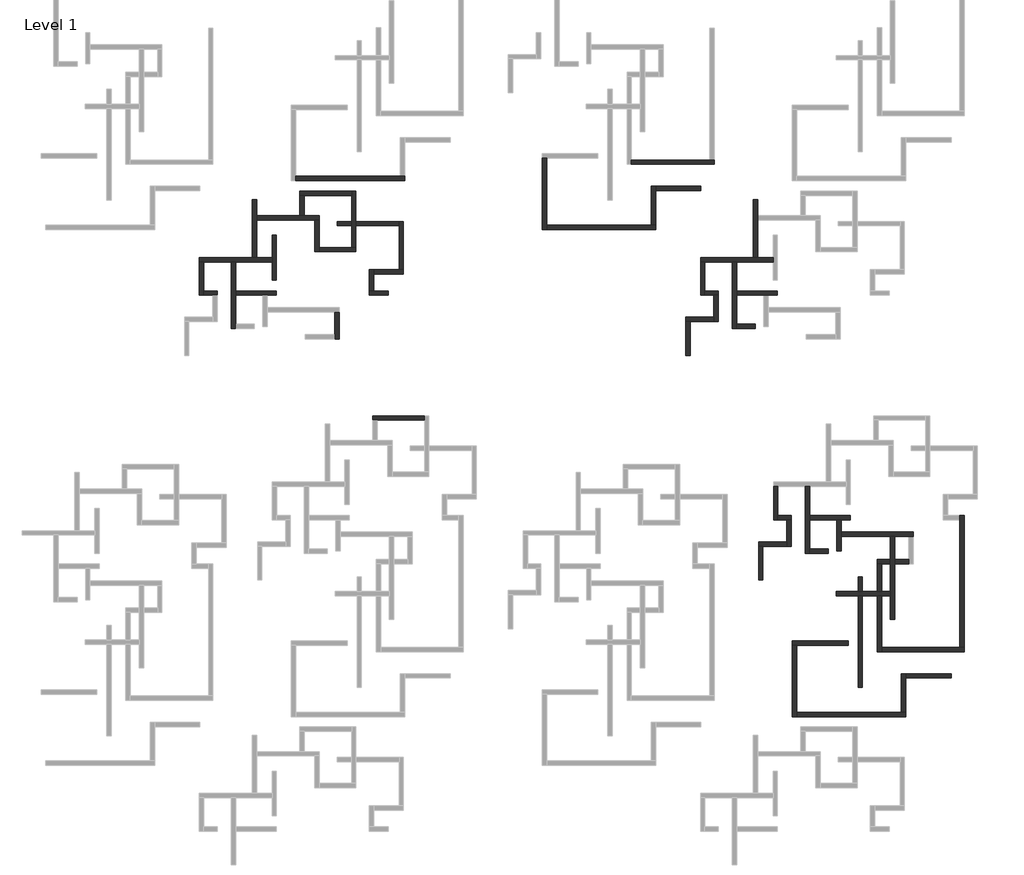
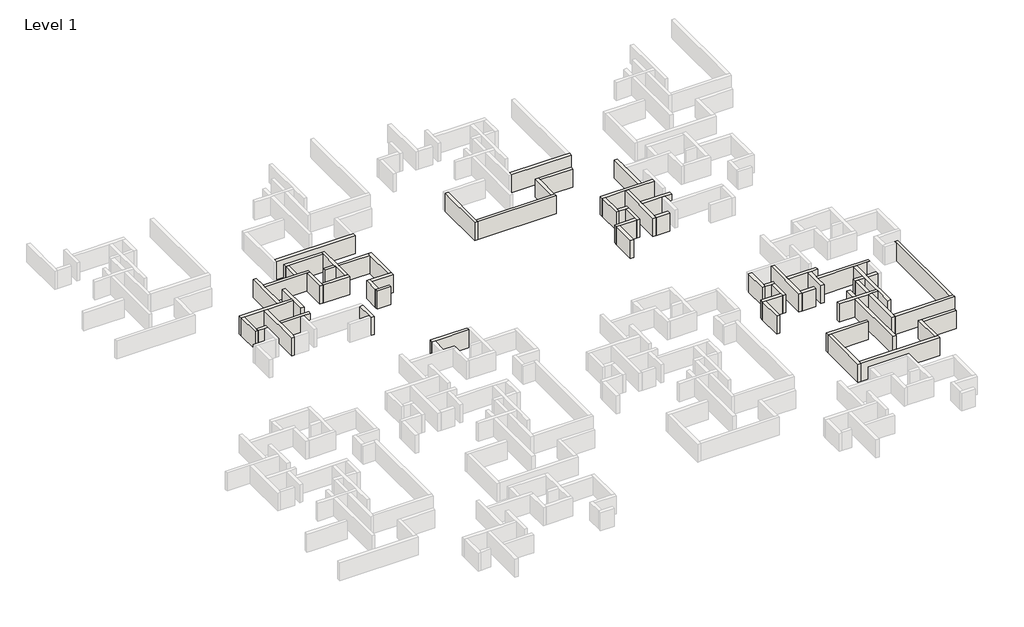
# One storey, part 4 of 7: 58 walls.
"""IFC4 building model written with IfcOpenShell, lengths in millimetres."""

from ifc_helpers import new_model, si_unit, origin, origin_with_axes, place, context, project, spatial, polyline, outline, extrude, faceted_brep, element, save

model = new_model("IFC4")

# Units and contexts
model_context = context("Model", 3, world=origin())
ifc_project = project(units=[si_unit("LENGTHUNIT", "METRE", prefix="MILLI")], contexts=[model_context])

# Site, building, storey
site = spatial("IfcSite", under=ifc_project)
building = spatial("IfcBuilding", under=site)
storey = spatial("IfcBuildingStorey", under=building, Name="Level 1", Elevation=0.0)

# Walls
placement = place(None, origin())
element("IfcWall", 1, ObjectType="Generic - 200mm", at=placement, inside=storey, context=model_context, shape_type="Brep", body=[
    faceted_brep([(11482.3849796, -2529.0856497, 0.0), (23882.3849796, -2529.0856497, 0.0), (23882.3849796, -2529.0856497, 3000.0), (11482.3849796, -2529.0856497, 3000.0), (11482.3849796, -2029.0856497, 0.0), (11482.3849796, -2029.0856497, 3000.0), (23382.3849796, -2029.0856497, 3000.0), (23882.3849796, -2029.0856497, 3000.0), (23882.3849796, -2029.0856497, 0.0), (23382.3849796, -2029.0856497, 0.0)], [[[0, 1, 2, 3]], [[4, 5, 6, 7, 8, 9]], [[1, 0, 4, 9, 8]], [[3, 2, 7, 6, 5]], [[0, 3, 5, 4]], [[2, 1, 8, 7]]]),
])
element("IfcWall", 2, ObjectType="Generic - 200mm", at=placement, inside=storey, context=model_context, shape_type="Brep", body=[
    faceted_brep([(532.3849796, -11761.6327635, 0.0), (1032.3849796, -11761.6327635, 0.0), (4132.3849796, -11761.6327635, 0.0), (4632.3849796, -11761.6327635, 0.0), (8782.3849796, -11761.6327635, 0.0), (8782.3849796, -11761.6327635, 3000.0), (4632.3849796, -11761.6327635, 3000.0), (4132.3849796, -11761.6327635, 3000.0), (1032.3849796, -11761.6327635, 3000.0), (532.3849796, -11761.6327635, 3000.0), (532.3849796, -11261.6327635, 0.0), (532.3849796, -11261.6327635, 3000.0), (6532.3849796, -11261.6327635, 3000.0), (7032.3849796, -11261.6327635, 3000.0), (8782.3849796, -11261.6327635, 3000.0), (8782.3849796, -11261.6327635, 0.0), (7032.3849796, -11261.6327635, 0.0), (6532.3849796, -11261.6327635, 0.0)], [[[0, 1, 2, 3, 4, 5, 6, 7, 8, 9]], [[10, 11, 12, 13, 14, 15, 16, 17]], [[4, 3, 2, 1, 0, 10, 17, 16, 15]], [[9, 8, 7, 6, 5, 14, 13, 12, 11]], [[0, 9, 11, 10]], [[5, 4, 15, 14]]]),
])
element("IfcWall", 3, ObjectType="Generic - 200mm", at=placement, inside=storey, context=model_context, shape_type="Brep", body=[
    faceted_brep([(4132.3849796, -11761.6327635, 0.0), (4132.3849796, -19361.6327635, 0.0), (4132.3849796, -19361.6327635, 3000.0), (4132.3849796, -11761.6327635, 3000.0), (4632.3849796, -11761.6327635, 0.0), (4632.3849796, -11761.6327635, 3000.0), (4632.3849796, -15061.6327635, 3000.0), (4632.3849796, -15561.6327635, 3000.0), (4632.3849796, -18861.6327635, 3000.0), (4632.3849796, -19361.6327635, 3000.0), (4632.3849796, -19361.6327635, 0.0), (4632.3849796, -18861.6327635, 0.0), (4632.3849796, -15561.6327635, 0.0), (4632.3849796, -15061.6327635, 0.0)], [[[0, 1, 2, 3]], [[4, 5, 6, 7, 8, 9, 10, 11, 12, 13]], [[1, 0, 4, 13, 12, 11, 10]], [[3, 2, 9, 8, 7, 6, 5]], [[0, 3, 5, 4]], [[2, 1, 10, 9]]]),
])
element("IfcWall", 4, ObjectType="Generic - 200mm", at=placement, inside=storey, context=model_context, shape_type="Brep", body=[
    faceted_brep([(4632.3849796, -15561.6327635, 0.0), (7732.3849796, -15561.6327635, 0.0), (8232.3849796, -15561.6327635, 0.0), (9282.3849796, -15561.6327635, 0.0), (9282.3849796, -15561.6327635, 3000.0), (8232.3849796, -15561.6327635, 3000.0), (7732.3849796, -15561.6327635, 3000.0), (4632.3849796, -15561.6327635, 3000.0), (4632.3849796, -15061.6327635, 0.0), (4632.3849796, -15061.6327635, 3000.0), (9282.3849796, -15061.6327635, 3000.0), (9282.3849796, -15061.6327635, 0.0)], [[[0, 1, 2, 3, 4, 5, 6, 7]], [[8, 9, 10, 11]], [[3, 2, 1, 0, 8, 11]], [[4, 3, 11, 10]], [[7, 6, 5, 4, 10, 9]], [[0, 7, 9, 8]]]),
])
element("IfcWall", 5, ObjectType="Generic - 200mm", at=placement, inside=storey, context=model_context, shape_type="Brep", body=[
    faceted_brep([(532.3849796, -11761.6327635, 0.0), (532.3849796, -15561.6327635, 0.0), (532.3849796, -15561.6327635, 3000.0), (532.3849796, -11761.6327635, 3000.0), (1032.3849796, -11761.6327635, 0.0), (1032.3849796, -11761.6327635, 3000.0), (1032.3849796, -15061.6327635, 3000.0), (1032.3849796, -15561.6327635, 3000.0), (1032.3849796, -15561.6327635, 0.0), (1032.3849796, -15061.6327635, 0.0)], [[[0, 1, 2, 3]], [[4, 5, 6, 7, 8, 9]], [[1, 0, 4, 9, 8]], [[3, 2, 7, 6, 5]], [[0, 3, 5, 4]], [[2, 1, 8, 7]]]),
])
element("IfcWall", 6, ObjectType="Generic - 200mm", at=placement, inside=storey, context=model_context, shape_type="Brep", body=[
    faceted_brep([(1032.3849796, -15561.6327635, 0.0), (2032.3849796, -15561.6327635, 0.0), (2532.3849796, -15561.6327635, 0.0), (2532.3849796, -15561.6327635, 3000.0), (2032.3849796, -15561.6327635, 3000.0), (1032.3849796, -15561.6327635, 3000.0), (1032.3849796, -15061.6327635, 0.0), (1032.3849796, -15061.6327635, 3000.0), (2532.3849796, -15061.6327635, 3000.0), (2532.3849796, -15061.6327635, 0.0)], [[[0, 1, 2, 3, 4, 5]], [[6, 7, 8, 9]], [[2, 1, 0, 6, 9]], [[5, 4, 3, 8, 7]], [[0, 5, 7, 6]], [[3, 2, 9, 8]]]),
])
element("IfcWall", 7, ObjectType="Generic - 200mm", at=placement, inside=storey, context=model_context, shape_type="Brep", body=[
    faceted_brep([(7032.3849796, -11261.6327635, 0.0), (7032.3849796, -7011.6327635, 0.0), (7032.3849796, -6511.6327635, 0.0), (7032.3849796, -4661.6327635, 0.0), (7032.3849796, -4661.6327635, 3000.0), (7032.3849796, -6511.6327635, 3000.0), (7032.3849796, -7011.6327635, 3000.0), (7032.3849796, -11261.6327635, 3000.0), (6532.3849796, -11261.6327635, 0.0), (6532.3849796, -11261.6327635, 3000.0), (6532.3849796, -4661.6327635, 3000.0), (6532.3849796, -4661.6327635, 0.0)], [[[0, 1, 2, 3, 4, 5, 6, 7]], [[8, 9, 10, 11]], [[3, 2, 1, 0, 8, 11]], [[4, 3, 11, 10]], [[7, 6, 5, 4, 10, 9]], [[0, 7, 9, 8]]]),
])
element("IfcWall", 8, ObjectType="Generic - 200mm", at=placement, inside=storey, context=model_context, shape_type="Brep", body=[
    faceted_brep([(7032.3849796, -7011.6327635, 0.0), (13632.3849796, -7011.6327635, 0.0), (14132.3849796, -7011.6327635, 0.0), (14132.3849796, -7011.6327635, 3000.0), (13632.3849796, -7011.6327635, 3000.0), (7032.3849796, -7011.6327635, 3000.0), (7032.3849796, -6511.6327635, 0.0), (7032.3849796, -6511.6327635, 3000.0), (11932.3849796, -6511.6327635, 3000.0), (12432.3849796, -6511.6327635, 3000.0), (14132.3849796, -6511.6327635, 3000.0), (14132.3849796, -6511.6327635, 0.0), (12432.3849796, -6511.6327635, 0.0), (11932.3849796, -6511.6327635, 0.0)], [[[0, 1, 2, 3, 4, 5]], [[6, 7, 8, 9, 10, 11, 12, 13]], [[2, 1, 0, 6, 13, 12, 11]], [[5, 4, 3, 10, 9, 8, 7]], [[0, 5, 7, 6]], [[3, 2, 11, 10]]]),
])
element("IfcWall", 9, ObjectType="Generic - 200mm", at=placement, inside=storey, context=model_context, shape_type="Brep", body=[
    faceted_brep([(9282.3849796, -13828.3353389, 0.0), (9282.3849796, -8728.3353389, 0.0), (9282.3849796, -8728.3353389, 3000.0), (9282.3849796, -13828.3353389, 3000.0), (8782.3849796, -13828.3353389, 0.0), (8782.3849796, -13828.3353389, 3000.0), (8782.3849796, -11761.6327635, 3000.0), (8782.3849796, -11261.6327635, 3000.0), (8782.3849796, -8728.3353389, 3000.0), (8782.3849796, -8728.3353389, 0.0), (8782.3849796, -11261.6327635, 0.0), (8782.3849796, -11761.6327635, 0.0)], [[[0, 1, 2, 3]], [[4, 5, 6, 7, 8, 9, 10, 11]], [[1, 0, 4, 11, 10, 9]], [[2, 1, 9, 8]], [[3, 2, 8, 7, 6, 5]], [[0, 3, 5, 4]]]),
])
element("IfcWall", 10, ObjectType="Generic - 200mm", at=placement, inside=storey, context=model_context, shape_type="Brep", body=[
    faceted_brep([(13632.3849796, -7011.6327635, 0.0), (13632.3849796, -10611.6327635, 0.0), (13632.3849796, -10611.6327635, 3000.0), (13632.3849796, -7011.6327635, 3000.0), (14132.3849796, -7011.6327635, 0.0), (14132.3849796, -7011.6327635, 3000.0), (14132.3849796, -10111.6327635, 3000.0), (14132.3849796, -10611.6327635, 3000.0), (14132.3849796, -10611.6327635, 0.0), (14132.3849796, -10111.6327635, 0.0)], [[[0, 1, 2, 3]], [[4, 5, 6, 7, 8, 9]], [[1, 0, 4, 9, 8]], [[3, 2, 7, 6, 5]], [[0, 3, 5, 4]], [[2, 1, 8, 7]]]),
])
element("IfcWall", 11, ObjectType="Generic - 200mm", at=placement, inside=storey, context=model_context, shape_type="Brep", body=[
    faceted_brep([(14132.3849796, -10611.6327635, 0.0), (18332.3849796, -10611.6327635, 0.0), (18332.3849796, -10611.6327635, 3000.0), (14132.3849796, -10611.6327635, 3000.0), (14132.3849796, -10111.6327635, 0.0), (14132.3849796, -10111.6327635, 3000.0), (17832.3849796, -10111.6327635, 3000.0), (18332.3849796, -10111.6327635, 3000.0), (18332.3849796, -10111.6327635, 0.0), (17832.3849796, -10111.6327635, 0.0)], [[[0, 1, 2, 3]], [[4, 5, 6, 7, 8, 9]], [[1, 0, 4, 9, 8]], [[3, 2, 7, 6, 5]], [[0, 3, 5, 4]], [[2, 1, 8, 7]]]),
])
element("IfcWall", 12, ObjectType="Generic - 200mm", at=placement, inside=storey, context=model_context, shape_type="Brep", body=[
    faceted_brep([(18332.3849796, -10111.6327635, 0.0), (18332.3849796, -7661.6327635, 0.0), (18332.3849796, -7161.6327635, 0.0), (18332.3849796, -3711.6327635, 0.0), (18332.3849796, -3711.6327635, 3000.0), (18332.3849796, -7161.6327635, 3000.0), (18332.3849796, -7661.6327635, 3000.0), (18332.3849796, -10111.6327635, 3000.0), (17832.3849796, -10111.6327635, 0.0), (17832.3849796, -10111.6327635, 3000.0), (17832.3849796, -7661.6327635, 3000.0), (17832.3849796, -7161.6327635, 3000.0), (17832.3849796, -4211.6327635, 3000.0), (17832.3849796, -3711.6327635, 3000.0), (17832.3849796, -3711.6327635, 0.0), (17832.3849796, -4211.6327635, 0.0), (17832.3849796, -7161.6327635, 0.0), (17832.3849796, -7661.6327635, 0.0)], [[[0, 1, 2, 3, 4, 5, 6, 7]], [[8, 9, 10, 11, 12, 13, 14, 15, 16, 17]], [[3, 2, 1, 0, 8, 17, 16, 15, 14]], [[7, 6, 5, 4, 13, 12, 11, 10, 9]], [[0, 7, 9, 8]], [[4, 3, 14, 13]]]),
])
element("IfcWall", 13, ObjectType="Generic - 200mm", at=placement, inside=storey, context=model_context, shape_type="Brep", body=[
    faceted_brep([(17832.3849796, -3711.6327635, 0.0), (11932.3849796, -3711.6327635, 0.0), (11932.3849796, -3711.6327635, 3000.0), (17832.3849796, -3711.6327635, 3000.0), (17832.3849796, -4211.6327635, 0.0), (17832.3849796, -4211.6327635, 3000.0), (12432.3849796, -4211.6327635, 3000.0), (11932.3849796, -4211.6327635, 3000.0), (11932.3849796, -4211.6327635, 0.0), (12432.3849796, -4211.6327635, 0.0)], [[[0, 1, 2, 3]], [[4, 5, 6, 7, 8, 9]], [[1, 0, 4, 9, 8]], [[3, 2, 7, 6, 5]], [[0, 3, 5, 4]], [[2, 1, 8, 7]]]),
])
element("IfcWall", 14, ObjectType="Generic - 200mm", at=placement, inside=storey, context=model_context, shape_type="SweptSolid", body=[
    extrude(outline(polyline([(11932.3849796, -6511.6327635), (11932.3849796, -4211.6327635), (12432.3849796, -4211.6327635), (12432.3849796, -6511.6327635), (11932.3849796, -6511.6327635)])), origin_with_axes(), (0.0, 0.0, 1.0), 3000.0),
])
element("IfcWall", 15, ObjectType="Generic - 200mm", at=placement, inside=storey, context=model_context, shape_type="Brep", body=[
    faceted_brep([(15932.3849796, -17461.6327635, 0.0), (15932.3849796, -20061.6327635, 0.0), (15932.3849796, -20561.6327635, 0.0), (15932.3849796, -20561.6327635, 3000.0), (15932.3849796, -20061.6327635, 3000.0), (15932.3849796, -17461.6327635, 3000.0), (16432.3849796, -17461.6327635, 0.0), (16432.3849796, -17461.6327635, 3000.0), (16432.3849796, -20561.6327635, 3000.0), (16432.3849796, -20561.6327635, 0.0)], [[[0, 1, 2, 3, 4, 5]], [[6, 7, 8, 9]], [[2, 1, 0, 6, 9]], [[5, 4, 3, 8, 7]], [[0, 5, 7, 6]], [[3, 2, 9, 8]]]),
])
element("IfcWall", 16, ObjectType="Generic - 200mm", at=placement, inside=storey, context=model_context, shape_type="Brep", body=[
    faceted_brep([(21982.3849796, -15061.6327635, 0.0), (20332.3849796, -15061.6327635, 0.0), (19832.3849796, -15061.6327635, 0.0), (19832.3849796, -15061.6327635, 3000.0), (20332.3849796, -15061.6327635, 3000.0), (21982.3849796, -15061.6327635, 3000.0), (21982.3849796, -15561.6327635, 0.0), (21982.3849796, -15561.6327635, 3000.0), (19832.3849796, -15561.6327635, 3000.0), (19832.3849796, -15561.6327635, 0.0)], [[[0, 1, 2, 3, 4, 5]], [[6, 7, 8, 9]], [[2, 1, 0, 6, 9]], [[5, 4, 3, 8, 7]], [[0, 5, 7, 6]], [[3, 2, 9, 8]]]),
])
element("IfcWall", 17, ObjectType="Generic - 200mm", at=placement, inside=storey, context=model_context, shape_type="Brep", body=[
    faceted_brep([(20332.3849796, -15061.6327635, 0.0), (20332.3849796, -13161.6327635, 0.0), (20332.3849796, -12661.6327635, 0.0), (20332.3849796, -12661.6327635, 3000.0), (20332.3849796, -13161.6327635, 3000.0), (20332.3849796, -15061.6327635, 3000.0), (19832.3849796, -15061.6327635, 0.0), (19832.3849796, -15061.6327635, 3000.0), (19832.3849796, -12661.6327635, 3000.0), (19832.3849796, -12661.6327635, 0.0)], [[[0, 1, 2, 3, 4, 5]], [[6, 7, 8, 9]], [[2, 1, 0, 6, 9]], [[5, 4, 3, 8, 7]], [[0, 5, 7, 6]], [[3, 2, 9, 8]]]),
])
element("IfcWall", 18, ObjectType="Generic - 200mm", at=placement, inside=storey, context=model_context, shape_type="Brep", body=[
    faceted_brep([(20332.3849796, -13161.6327635, 0.0), (23732.3849796, -13161.6327635, 0.0), (23732.3849796, -13161.6327635, 3000.0), (20332.3849796, -13161.6327635, 3000.0), (20332.3849796, -12661.6327635, 0.0), (20332.3849796, -12661.6327635, 3000.0), (23232.3849796, -12661.6327635, 3000.0), (23732.3849796, -12661.6327635, 3000.0), (23732.3849796, -12661.6327635, 0.0), (23232.3849796, -12661.6327635, 0.0)], [[[0, 1, 2, 3]], [[4, 5, 6, 7, 8, 9]], [[1, 0, 4, 9, 8]], [[3, 2, 7, 6, 5]], [[0, 3, 5, 4]], [[2, 1, 8, 7]]]),
])
element("IfcWall", 19, ObjectType="Generic - 200mm", at=placement, inside=storey, context=model_context, shape_type="Brep", body=[
    faceted_brep([(23732.3849796, -12661.6327635, 0.0), (23732.3849796, -7161.6327635, 0.0), (23732.3849796, -7161.6327635, 3000.0), (23732.3849796, -12661.6327635, 3000.0), (23232.3849796, -12661.6327635, 0.0), (23232.3849796, -12661.6327635, 3000.0), (23232.3849796, -7661.6327635, 3000.0), (23232.3849796, -7161.6327635, 3000.0), (23232.3849796, -7161.6327635, 0.0), (23232.3849796, -7661.6327635, 0.0)], [[[0, 1, 2, 3]], [[4, 5, 6, 7, 8, 9]], [[1, 0, 4, 9, 8]], [[3, 2, 7, 6, 5]], [[0, 3, 5, 4]], [[2, 1, 8, 7]]]),
])
element("IfcWall", 20, ObjectType="Generic - 200mm", at=placement, inside=storey, context=model_context, shape_type="SweptSolid", body=[
    extrude(outline(polyline([(16182.3849796, -7661.6327635), (16182.3849796, -7161.6327635), (17832.3849796, -7161.6327635), (17832.3849796, -7661.6327635), (16182.3849796, -7661.6327635)])), origin_with_axes(), (0.0, 0.0, 1.0), 3000.0),
    extrude(outline(polyline([(23232.3849796, -7161.6327635), (23232.3849796, -7661.6327635), (18332.3849796, -7661.6327635), (18332.3849796, -7161.6327635), (23232.3849796, -7161.6327635)])), origin_with_axes(), (0.0, 0.0, 1.0), 3000.0),
])
element("IfcWall", 21, ObjectType="Generic - 200mm", at=placement, inside=storey, context=model_context, shape_type="Brep", body=[
    faceted_brep([(49665.1966596, -662.5465156, 0.0), (59065.1966596, -662.5465156, 0.0), (59065.1966596, -662.5465156, 3000.0), (49665.1966596, -662.5465156, 3000.0), (49665.1966596, -162.5465156, 0.0), (49665.1966596, -162.5465156, 3000.0), (58565.1966596, -162.5465156, 3000.0), (59065.1966596, -162.5465156, 3000.0), (59065.1966596, -162.5465156, 0.0), (58565.1966596, -162.5465156, 0.0)], [[[0, 1, 2, 3]], [[4, 5, 6, 7, 8, 9]], [[1, 0, 4, 9, 8]], [[3, 2, 7, 6, 5]], [[0, 3, 5, 4]], [[2, 1, 8, 7]]]),
])
element("IfcWall", 22, ObjectType="Generic - 200mm", at=placement, inside=storey, context=model_context, shape_type="Brep", body=[
    faceted_brep([(39515.1966596, 37.4534844, 0.0), (39515.1966596, -8062.5465156, 0.0), (39515.1966596, -8062.5465156, 3000.0), (39515.1966596, 37.4534844, 3000.0), (40015.1966596, 37.4534844, 0.0), (40015.1966596, 37.4534844, 3000.0), (40015.1966596, -7562.5465156, 3000.0), (40015.1966596, -8062.5465156, 3000.0), (40015.1966596, -8062.5465156, 0.0), (40015.1966596, -7562.5465156, 0.0)], [[[0, 1, 2, 3]], [[4, 5, 6, 7, 8, 9]], [[1, 0, 4, 9, 8]], [[3, 2, 7, 6, 5]], [[0, 3, 5, 4]], [[2, 1, 8, 7]]]),
])
element("IfcWall", 23, ObjectType="Generic - 200mm", at=placement, inside=storey, context=model_context, shape_type="Brep", body=[
    faceted_brep([(40015.1966596, -8062.5465156, 0.0), (52415.1966596, -8062.5465156, 0.0), (52415.1966596, -8062.5465156, 3000.0), (40015.1966596, -8062.5465156, 3000.0), (40015.1966596, -7562.5465156, 0.0), (40015.1966596, -7562.5465156, 3000.0), (51915.1966596, -7562.5465156, 3000.0), (52415.1966596, -7562.5465156, 3000.0), (52415.1966596, -7562.5465156, 0.0), (51915.1966596, -7562.5465156, 0.0)], [[[0, 1, 2, 3]], [[4, 5, 6, 7, 8, 9]], [[1, 0, 4, 9, 8]], [[3, 2, 7, 6, 5]], [[0, 3, 5, 4]], [[2, 1, 8, 7]]]),
])
element("IfcWall", 24, ObjectType="Generic - 200mm", at=placement, inside=storey, context=model_context, shape_type="Brep", body=[
    faceted_brep([(52415.1966596, -7562.5465156, 0.0), (52415.1966596, -3662.5465156, 0.0), (52415.1966596, -3162.5465156, 0.0), (52415.1966596, -3162.5465156, 3000.0), (52415.1966596, -3662.5465156, 3000.0), (52415.1966596, -7562.5465156, 3000.0), (51915.1966596, -7562.5465156, 0.0), (51915.1966596, -7562.5465156, 3000.0), (51915.1966596, -3162.5465156, 3000.0), (51915.1966596, -3162.5465156, 0.0)], [[[0, 1, 2, 3, 4, 5]], [[6, 7, 8, 9]], [[2, 1, 0, 6, 9]], [[5, 4, 3, 8, 7]], [[0, 5, 7, 6]], [[3, 2, 9, 8]]]),
])
element("IfcWall", 25, ObjectType="Generic - 200mm", at=placement, inside=storey, context=model_context, shape_type="SweptSolid", body=[
    extrude(outline(polyline([(57565.1966596, -3662.5465156), (52415.1966596, -3662.5465156), (52415.1966596, -3162.5465156), (57565.1966596, -3162.5465156), (57565.1966596, -3662.5465156)])), origin_with_axes(), (0.0, 0.0, 1.0), 3000.0),
])
element("IfcWall", 26, ObjectType="Generic - 200mm", at=placement, inside=storey, context=model_context, shape_type="Brep", body=[
    faceted_brep([(57532.3849796, -11761.6327635, 0.0), (58032.3849796, -11761.6327635, 0.0), (61132.3849796, -11761.6327635, 0.0), (61632.3849796, -11761.6327635, 0.0), (65782.3849796, -11761.6327635, 0.0), (65782.3849796, -11761.6327635, 3000.0), (61632.3849796, -11761.6327635, 3000.0), (61132.3849796, -11761.6327635, 3000.0), (58032.3849796, -11761.6327635, 3000.0), (57532.3849796, -11761.6327635, 3000.0), (57532.3849796, -11261.6327635, 0.0), (57532.3849796, -11261.6327635, 3000.0), (63532.3849796, -11261.6327635, 3000.0), (64032.3849796, -11261.6327635, 3000.0), (65782.3849796, -11261.6327635, 3000.0), (65782.3849796, -11261.6327635, 0.0), (64032.3849796, -11261.6327635, 0.0), (63532.3849796, -11261.6327635, 0.0)], [[[0, 1, 2, 3, 4, 5, 6, 7, 8, 9]], [[10, 11, 12, 13, 14, 15, 16, 17]], [[4, 3, 2, 1, 0, 10, 17, 16, 15]], [[9, 8, 7, 6, 5, 14, 13, 12, 11]], [[0, 9, 11, 10]], [[5, 4, 15, 14]]]),
])
element("IfcWall", 27, ObjectType="Generic - 200mm", at=placement, inside=storey, context=model_context, shape_type="Brep", body=[
    faceted_brep([(61132.3849796, -11761.6327635, 0.0), (61132.3849796, -19361.6327635, 0.0), (61132.3849796, -19361.6327635, 3000.0), (61132.3849796, -11761.6327635, 3000.0), (61632.3849796, -11761.6327635, 0.0), (61632.3849796, -11761.6327635, 3000.0), (61632.3849796, -15061.6327635, 3000.0), (61632.3849796, -15561.6327635, 3000.0), (61632.3849796, -18861.6327635, 3000.0), (61632.3849796, -19361.6327635, 3000.0), (61632.3849796, -19361.6327635, 0.0), (61632.3849796, -18861.6327635, 0.0), (61632.3849796, -15561.6327635, 0.0), (61632.3849796, -15061.6327635, 0.0)], [[[0, 1, 2, 3]], [[4, 5, 6, 7, 8, 9, 10, 11, 12, 13]], [[1, 0, 4, 13, 12, 11, 10]], [[3, 2, 9, 8, 7, 6, 5]], [[0, 3, 5, 4]], [[2, 1, 10, 9]]]),
])
element("IfcWall", 28, ObjectType="Generic - 200mm", at=placement, inside=storey, context=model_context, shape_type="Brep", body=[
    faceted_brep([(61632.3849796, -15561.6327635, 0.0), (64732.3849796, -15561.6327635, 0.0), (65232.3849796, -15561.6327635, 0.0), (66282.3849796, -15561.6327635, 0.0), (66282.3849796, -15561.6327635, 3000.0), (65232.3849796, -15561.6327635, 3000.0), (64732.3849796, -15561.6327635, 3000.0), (61632.3849796, -15561.6327635, 3000.0), (61632.3849796, -15061.6327635, 0.0), (61632.3849796, -15061.6327635, 3000.0), (66282.3849796, -15061.6327635, 3000.0), (66282.3849796, -15061.6327635, 0.0)], [[[0, 1, 2, 3, 4, 5, 6, 7]], [[8, 9, 10, 11]], [[3, 2, 1, 0, 8, 11]], [[4, 3, 11, 10]], [[7, 6, 5, 4, 10, 9]], [[0, 7, 9, 8]]]),
])
element("IfcWall", 29, ObjectType="Generic - 200mm", at=placement, inside=storey, context=model_context, shape_type="Brep", body=[
    faceted_brep([(57532.3849796, -11761.6327635, 0.0), (57532.3849796, -15561.6327635, 0.0), (57532.3849796, -15561.6327635, 3000.0), (57532.3849796, -11761.6327635, 3000.0), (58032.3849796, -11761.6327635, 0.0), (58032.3849796, -11761.6327635, 3000.0), (58032.3849796, -15061.6327635, 3000.0), (58032.3849796, -15561.6327635, 3000.0), (58032.3849796, -15561.6327635, 0.0), (58032.3849796, -15061.6327635, 0.0)], [[[0, 1, 2, 3]], [[4, 5, 6, 7, 8, 9]], [[1, 0, 4, 9, 8]], [[3, 2, 7, 6, 5]], [[0, 3, 5, 4]], [[2, 1, 8, 7]]]),
])
element("IfcWall", 30, ObjectType="Generic - 200mm", at=placement, inside=storey, context=model_context, shape_type="Brep", body=[
    faceted_brep([(58032.3849796, -15561.6327635, 0.0), (59032.3849796, -15561.6327635, 0.0), (59532.3849796, -15561.6327635, 0.0), (59532.3849796, -15561.6327635, 3000.0), (59032.3849796, -15561.6327635, 3000.0), (58032.3849796, -15561.6327635, 3000.0), (58032.3849796, -15061.6327635, 0.0), (58032.3849796, -15061.6327635, 3000.0), (59532.3849796, -15061.6327635, 3000.0), (59532.3849796, -15061.6327635, 0.0)], [[[0, 1, 2, 3, 4, 5]], [[6, 7, 8, 9]], [[2, 1, 0, 6, 9]], [[5, 4, 3, 8, 7]], [[0, 5, 7, 6]], [[3, 2, 9, 8]]]),
])
element("IfcWall", 31, ObjectType="Generic - 200mm", at=placement, inside=storey, context=model_context, shape_type="Brep", body=[
    faceted_brep([(59032.3849796, -15561.6327635, 0.0), (59032.3849796, -18061.6327635, 0.0), (59032.3849796, -18561.6327635, 0.0), (59032.3849796, -18561.6327635, 3000.0), (59032.3849796, -18061.6327635, 3000.0), (59032.3849796, -15561.6327635, 3000.0), (59532.3849796, -15561.6327635, 0.0), (59532.3849796, -15561.6327635, 3000.0), (59532.3849796, -18561.6327635, 3000.0), (59532.3849796, -18561.6327635, 0.0)], [[[0, 1, 2, 3, 4, 5]], [[6, 7, 8, 9]], [[2, 1, 0, 6, 9]], [[5, 4, 3, 8, 7]], [[0, 5, 7, 6]], [[3, 2, 9, 8]]]),
])
element("IfcWall", 32, ObjectType="Generic - 200mm", at=placement, inside=storey, context=model_context, shape_type="Brep", body=[
    faceted_brep([(59032.3849796, -18061.6327635, 0.0), (55832.3849796, -18061.6327635, 0.0), (55832.3849796, -18061.6327635, 3000.0), (59032.3849796, -18061.6327635, 3000.0), (59032.3849796, -18561.6327635, 0.0), (59032.3849796, -18561.6327635, 3000.0), (56332.3849796, -18561.6327635, 3000.0), (55832.3849796, -18561.6327635, 3000.0), (55832.3849796, -18561.6327635, 0.0), (56332.3849796, -18561.6327635, 0.0)], [[[0, 1, 2, 3]], [[4, 5, 6, 7, 8, 9]], [[1, 0, 4, 9, 8]], [[3, 2, 7, 6, 5]], [[0, 3, 5, 4]], [[2, 1, 8, 7]]]),
])
element("IfcWall", 33, ObjectType="Generic - 200mm", at=placement, inside=storey, context=model_context, shape_type="SweptSolid", body=[
    extrude(outline(polyline([(55832.3849796, -22411.6327635), (55832.3849796, -18561.6327635), (56332.3849796, -18561.6327635), (56332.3849796, -22411.6327635), (55832.3849796, -22411.6327635)])), origin_with_axes(), (0.0, 0.0, 1.0), 3000.0),
])
element("IfcWall", 34, ObjectType="Generic - 200mm", at=placement, inside=storey, context=model_context, shape_type="SweptSolid", body=[
    extrude(outline(polyline([(63782.3849796, -19361.6327635), (61632.3849796, -19361.6327635), (61632.3849796, -18861.6327635), (63782.3849796, -18861.6327635), (63782.3849796, -19361.6327635)])), origin_with_axes(), (0.0, 0.0, 1.0), 3000.0),
])
element("IfcWall", 35, ObjectType="Generic - 200mm", at=placement, inside=storey, context=model_context, shape_type="Brep", body=[
    faceted_brep([(64032.3849796, -11261.6327635, 0.0), (64032.3849796, -7011.6327635, 0.0), (64032.3849796, -6511.6327635, 0.0), (64032.3849796, -4661.6327635, 0.0), (64032.3849796, -4661.6327635, 3000.0), (64032.3849796, -6511.6327635, 3000.0), (64032.3849796, -7011.6327635, 3000.0), (64032.3849796, -11261.6327635, 3000.0), (63532.3849796, -11261.6327635, 0.0), (63532.3849796, -11261.6327635, 3000.0), (63532.3849796, -4661.6327635, 3000.0), (63532.3849796, -4661.6327635, 0.0)], [[[0, 1, 2, 3, 4, 5, 6, 7]], [[8, 9, 10, 11]], [[3, 2, 1, 0, 8, 11]], [[4, 3, 11, 10]], [[7, 6, 5, 4, 10, 9]], [[0, 7, 9, 8]]]),
])
element("IfcWall", 36, ObjectType="Generic - 200mm", at=placement, inside=storey, context=model_context, shape_type="Brep", body=[
    faceted_brep([(26132.3849796, -29279.0856497, 0.0), (20232.3849796, -29279.0856497, 0.0), (20232.3849796, -29279.0856497, 3000.0), (26132.3849796, -29279.0856497, 3000.0), (26132.3849796, -29779.0856497, 0.0), (26132.3849796, -29779.0856497, 3000.0), (20732.3849796, -29779.0856497, 3000.0), (20232.3849796, -29779.0856497, 3000.0), (20232.3849796, -29779.0856497, 0.0), (20732.3849796, -29779.0856497, 0.0)], [[[0, 1, 2, 3]], [[4, 5, 6, 7, 8, 9]], [[1, 0, 4, 9, 8]], [[3, 2, 7, 6, 5]], [[0, 3, 5, 4]], [[2, 1, 8, 7]]]),
])
element("IfcWall", 37, ObjectType="Generic - 200mm", at=placement, inside=storey, context=model_context, shape_type="Brep", body=[
    faceted_brep([(69432.3849796, -37329.0856497, 0.0), (69432.3849796, -44929.0856497, 0.0), (69432.3849796, -44929.0856497, 3000.0), (69432.3849796, -37329.0856497, 3000.0), (69932.3849796, -37329.0856497, 0.0), (69932.3849796, -37329.0856497, 3000.0), (69932.3849796, -40629.0856497, 3000.0), (69932.3849796, -41129.0856497, 3000.0), (69932.3849796, -44429.0856497, 3000.0), (69932.3849796, -44929.0856497, 3000.0), (69932.3849796, -44929.0856497, 0.0), (69932.3849796, -44429.0856497, 0.0), (69932.3849796, -41129.0856497, 0.0), (69932.3849796, -40629.0856497, 0.0)], [[[0, 1, 2, 3]], [[4, 5, 6, 7, 8, 9, 10, 11, 12, 13]], [[1, 0, 4, 13, 12, 11, 10]], [[3, 2, 9, 8, 7, 6, 5]], [[0, 3, 5, 4]], [[2, 1, 10, 9]]]),
])
element("IfcWall", 38, ObjectType="Generic - 200mm", at=placement, inside=storey, context=model_context, shape_type="Brep", body=[
    faceted_brep([(69932.3849796, -41129.0856497, 0.0), (73032.3849796, -41129.0856497, 0.0), (73532.3849796, -41129.0856497, 0.0), (74582.3849796, -41129.0856497, 0.0), (74582.3849796, -41129.0856497, 3000.0), (73532.3849796, -41129.0856497, 3000.0), (73032.3849796, -41129.0856497, 3000.0), (69932.3849796, -41129.0856497, 3000.0), (69932.3849796, -40629.0856497, 0.0), (69932.3849796, -40629.0856497, 3000.0), (74582.3849796, -40629.0856497, 3000.0), (74582.3849796, -40629.0856497, 0.0)], [[[0, 1, 2, 3, 4, 5, 6, 7]], [[8, 9, 10, 11]], [[3, 2, 1, 0, 8, 11]], [[4, 3, 11, 10]], [[7, 6, 5, 4, 10, 9]], [[0, 7, 9, 8]]]),
])
element("IfcWall", 39, ObjectType="Generic - 200mm", at=placement, inside=storey, context=model_context, shape_type="Brep", body=[
    faceted_brep([(73032.3849796, -41129.0856497, 0.0), (73032.3849796, -44679.0856497, 0.0), (73032.3849796, -44679.0856497, 3000.0), (73032.3849796, -41129.0856497, 3000.0), (73532.3849796, -41129.0856497, 0.0), (73532.3849796, -41129.0856497, 3000.0), (73532.3849796, -42529.0856497, 3000.0), (73532.3849796, -43029.0856497, 3000.0), (73532.3849796, -44679.0856497, 3000.0), (73532.3849796, -44679.0856497, 0.0), (73532.3849796, -43029.0856497, 0.0), (73532.3849796, -42529.0856497, 0.0)], [[[0, 1, 2, 3]], [[4, 5, 6, 7, 8, 9, 10, 11]], [[1, 0, 4, 11, 10, 9]], [[2, 1, 9, 8]], [[3, 2, 8, 7, 6, 5]], [[0, 3, 5, 4]]]),
])
element("IfcWall", 40, ObjectType="Generic - 200mm", at=placement, inside=storey, context=model_context, shape_type="Brep", body=[
    faceted_brep([(65832.3849796, -37329.0856497, 0.0), (65832.3849796, -41129.0856497, 0.0), (65832.3849796, -41129.0856497, 3000.0), (65832.3849796, -37329.0856497, 3000.0), (66332.3849796, -37329.0856497, 0.0), (66332.3849796, -37329.0856497, 3000.0), (66332.3849796, -40629.0856497, 3000.0), (66332.3849796, -41129.0856497, 3000.0), (66332.3849796, -41129.0856497, 0.0), (66332.3849796, -40629.0856497, 0.0)], [[[0, 1, 2, 3]], [[4, 5, 6, 7, 8, 9]], [[1, 0, 4, 9, 8]], [[3, 2, 7, 6, 5]], [[0, 3, 5, 4]], [[2, 1, 8, 7]]]),
])
element("IfcWall", 41, ObjectType="Generic - 200mm", at=placement, inside=storey, context=model_context, shape_type="Brep", body=[
    faceted_brep([(66332.3849796, -41129.0856497, 0.0), (67332.3849796, -41129.0856497, 0.0), (67832.3849796, -41129.0856497, 0.0), (67832.3849796, -41129.0856497, 3000.0), (67332.3849796, -41129.0856497, 3000.0), (66332.3849796, -41129.0856497, 3000.0), (66332.3849796, -40629.0856497, 0.0), (66332.3849796, -40629.0856497, 3000.0), (67832.3849796, -40629.0856497, 3000.0), (67832.3849796, -40629.0856497, 0.0)], [[[0, 1, 2, 3, 4, 5]], [[6, 7, 8, 9]], [[2, 1, 0, 6, 9]], [[5, 4, 3, 8, 7]], [[0, 5, 7, 6]], [[3, 2, 9, 8]]]),
])
element("IfcWall", 42, ObjectType="Generic - 200mm", at=placement, inside=storey, context=model_context, shape_type="Brep", body=[
    faceted_brep([(67332.3849796, -41129.0856497, 0.0), (67332.3849796, -43629.0856497, 0.0), (67332.3849796, -44129.0856497, 0.0), (67332.3849796, -44129.0856497, 3000.0), (67332.3849796, -43629.0856497, 3000.0), (67332.3849796, -41129.0856497, 3000.0), (67832.3849796, -41129.0856497, 0.0), (67832.3849796, -41129.0856497, 3000.0), (67832.3849796, -44129.0856497, 3000.0), (67832.3849796, -44129.0856497, 0.0)], [[[0, 1, 2, 3, 4, 5]], [[6, 7, 8, 9]], [[2, 1, 0, 6, 9]], [[5, 4, 3, 8, 7]], [[0, 5, 7, 6]], [[3, 2, 9, 8]]]),
])
element("IfcWall", 43, ObjectType="Generic - 200mm", at=placement, inside=storey, context=model_context, shape_type="Brep", body=[
    faceted_brep([(67332.3849796, -43629.0856497, 0.0), (64132.3849796, -43629.0856497, 0.0), (64132.3849796, -43629.0856497, 3000.0), (67332.3849796, -43629.0856497, 3000.0), (67332.3849796, -44129.0856497, 0.0), (67332.3849796, -44129.0856497, 3000.0), (64632.3849796, -44129.0856497, 3000.0), (64132.3849796, -44129.0856497, 3000.0), (64132.3849796, -44129.0856497, 0.0), (64632.3849796, -44129.0856497, 0.0)], [[[0, 1, 2, 3]], [[4, 5, 6, 7, 8, 9]], [[1, 0, 4, 9, 8]], [[3, 2, 7, 6, 5]], [[0, 3, 5, 4]], [[2, 1, 8, 7]]]),
])
element("IfcWall", 44, ObjectType="Generic - 200mm", at=placement, inside=storey, context=model_context, shape_type="SweptSolid", body=[
    extrude(outline(polyline([(64132.3849796, -47979.0856497), (64132.3849796, -44129.0856497), (64632.3849796, -44129.0856497), (64632.3849796, -47979.0856497), (64132.3849796, -47979.0856497)])), origin_with_axes(), (0.0, 0.0, 1.0), 3000.0),
])
element("IfcWall", 45, ObjectType="Generic - 200mm", at=placement, inside=storey, context=model_context, shape_type="SweptSolid", body=[
    extrude(outline(polyline([(72082.3849796, -44929.0856497), (69932.3849796, -44929.0856497), (69932.3849796, -44429.0856497), (72082.3849796, -44429.0856497), (72082.3849796, -44929.0856497)])), origin_with_axes(), (0.0, 0.0, 1.0), 3000.0),
])
element("IfcWall", 46, ObjectType="Generic - 200mm", at=placement, inside=storey, context=model_context, shape_type="Brep", body=[
    faceted_brep([(73532.3849796, -43029.0856497, 0.0), (79132.3849796, -43029.0856497, 0.0), (79632.3849796, -43029.0856497, 0.0), (81232.3849796, -43029.0856497, 0.0), (81732.3849796, -43029.0856497, 0.0), (81732.3849796, -43029.0856497, 3000.0), (81232.3849796, -43029.0856497, 3000.0), (79632.3849796, -43029.0856497, 3000.0), (79132.3849796, -43029.0856497, 3000.0), (73532.3849796, -43029.0856497, 3000.0), (73532.3849796, -42529.0856497, 0.0), (73532.3849796, -42529.0856497, 3000.0), (81732.3849796, -42529.0856497, 3000.0), (81732.3849796, -42529.0856497, 0.0)], [[[0, 1, 2, 3, 4, 5, 6, 7, 8, 9]], [[10, 11, 12, 13]], [[4, 3, 2, 1, 0, 10, 13]], [[9, 8, 7, 6, 5, 12, 11]], [[0, 9, 11, 10]], [[5, 4, 13, 12]]]),
])
element("IfcWall", 47, ObjectType="Generic - 200mm", at=placement, inside=storey, context=model_context, shape_type="Brep", body=[
    faceted_brep([(79132.3849796, -43029.0856497, 0.0), (79132.3849796, -45629.0856497, 0.0), (79132.3849796, -46129.0856497, 0.0), (79132.3849796, -49279.0856497, 0.0), (79132.3849796, -49779.0856497, 0.0), (79132.3849796, -52429.0856497, 0.0), (79132.3849796, -52429.0856497, 3000.0), (79132.3849796, -49779.0856497, 3000.0), (79132.3849796, -49279.0856497, 3000.0), (79132.3849796, -46129.0856497, 3000.0), (79132.3849796, -45629.0856497, 3000.0), (79132.3849796, -43029.0856497, 3000.0), (79632.3849796, -43029.0856497, 0.0), (79632.3849796, -43029.0856497, 3000.0), (79632.3849796, -45629.0856497, 3000.0), (79632.3849796, -46129.0856497, 3000.0), (79632.3849796, -52429.0856497, 3000.0), (79632.3849796, -52429.0856497, 0.0), (79632.3849796, -46129.0856497, 0.0), (79632.3849796, -45629.0856497, 0.0)], [[[0, 1, 2, 3, 4, 5, 6, 7, 8, 9, 10, 11]], [[12, 13, 14, 15, 16, 17, 18, 19]], [[5, 4, 3, 2, 1, 0, 12, 19, 18, 17]], [[6, 5, 17, 16]], [[11, 10, 9, 8, 7, 6, 16, 15, 14, 13]], [[0, 11, 13, 12]]]),
])
element("IfcWall", 48, ObjectType="Generic - 200mm", at=placement, inside=storey, context=model_context, shape_type="Brep", body=[
    faceted_brep([(79132.3849796, -49279.0856497, 0.0), (78132.3849796, -49279.0856497, 0.0), (77632.3849796, -49279.0856497, 0.0), (75951.9708687, -49279.0856497, 0.0), (75451.9708687, -49279.0856497, 0.0), (72982.3849796, -49279.0856497, 0.0), (72982.3849796, -49279.0856497, 3000.0), (75451.9708687, -49279.0856497, 3000.0), (75951.9708687, -49279.0856497, 3000.0), (77632.3849796, -49279.0856497, 3000.0), (78132.3849796, -49279.0856497, 3000.0), (79132.3849796, -49279.0856497, 3000.0), (79132.3849796, -49779.0856497, 0.0), (79132.3849796, -49779.0856497, 3000.0), (78132.3849796, -49779.0856497, 3000.0), (77632.3849796, -49779.0856497, 3000.0), (75951.9708687, -49779.0856497, 3000.0), (75451.9708687, -49779.0856497, 3000.0), (72982.3849796, -49779.0856497, 3000.0), (72982.3849796, -49779.0856497, 0.0), (75451.9708687, -49779.0856497, 0.0), (75951.9708687, -49779.0856497, 0.0), (77632.3849796, -49779.0856497, 0.0), (78132.3849796, -49779.0856497, 0.0)], [[[0, 1, 2, 3, 4, 5, 6, 7, 8, 9, 10, 11]], [[12, 13, 14, 15, 16, 17, 18, 19, 20, 21, 22, 23]], [[5, 4, 3, 2, 1, 0, 12, 23, 22, 21, 20, 19]], [[6, 5, 19, 18]], [[11, 10, 9, 8, 7, 6, 18, 17, 16, 15, 14, 13]], [[0, 11, 13, 12]]]),
])
element("IfcWall", 49, ObjectType="Generic - 200mm", at=placement, inside=storey, context=model_context, shape_type="SweptSolid", body=[
    extrude(outline(polyline([(75951.9708687, -60201.9996942), (75451.9708687, -60201.9996942), (75451.9708687, -49779.0856497), (75951.9708687, -49779.0856497), (75951.9708687, -60201.9996942)])), origin_with_axes(), (0.0, 0.0, 1.0), 3000.0),
    extrude(outline(polyline([(75451.9708687, -47601.9996942), (75951.9708687, -47601.9996942), (75951.9708687, -49279.0856497), (75451.9708687, -49279.0856497), (75451.9708687, -47601.9996942)])), origin_with_axes(), (0.0, 0.0, 1.0), 3000.0),
])
element("IfcWall", 50, ObjectType="Generic - 200mm", at=placement, inside=storey, context=model_context, shape_type="Brep", body=[
    faceted_brep([(81232.3849796, -45629.0856497, 3000.0), (81232.3849796, -45629.0856497, 0.0), (79632.3849796, -45629.0856497, 0.0), (79632.3849796, -45629.0856497, 3000.0), (81232.3849796, -46129.0856497, 0.0), (81232.3849796, -46129.0856497, 3000.0), (79632.3849796, -46129.0856497, 3000.0), (79632.3849796, -46129.0856497, 0.0)], [[[0, 1, 2, 3]], [[4, 5, 6, 7]], [[1, 4, 7, 2]], [[5, 0, 3, 6]], [[1, 0, 5, 4]], [[3, 2, 7, 6]]]),
    faceted_brep([(77632.3849796, -45629.0856497, 0.0), (77632.3849796, -45629.0856497, 3000.0), (79132.3849796, -45629.0856497, 3000.0), (79132.3849796, -45629.0856497, 0.0), (77632.3849796, -46129.0856497, 3000.0), (77632.3849796, -46129.0856497, 0.0), (78132.3849796, -46129.0856497, 0.0), (79132.3849796, -46129.0856497, 0.0), (79132.3849796, -46129.0856497, 3000.0), (78132.3849796, -46129.0856497, 3000.0)], [[[0, 1, 2, 3]], [[4, 5, 6, 7, 8, 9]], [[5, 0, 3, 7, 6]], [[1, 4, 9, 8, 2]], [[3, 2, 8, 7]], [[1, 0, 5, 4]]]),
])
element("IfcWall", 51, ObjectType="Generic - 200mm", at=placement, inside=storey, context=model_context, shape_type="Brep", body=[
    faceted_brep([(77632.3849796, -46129.0856497, 3000.0), (77632.3849796, -46129.0856497, 0.0), (77632.3849796, -49279.0856497, 0.0), (77632.3849796, -49279.0856497, 3000.0), (78132.3849796, -46129.0856497, 0.0), (78132.3849796, -46129.0856497, 3000.0), (78132.3849796, -49279.0856497, 3000.0), (78132.3849796, -49279.0856497, 0.0)], [[[0, 1, 2, 3]], [[4, 5, 6, 7]], [[1, 4, 7, 2]], [[5, 0, 3, 6]], [[1, 0, 5, 4]], [[3, 2, 7, 6]]]),
    faceted_brep([(77632.3849796, -56129.0856497, 0.0), (77632.3849796, -56129.0856497, 3000.0), (77632.3849796, -49779.0856497, 3000.0), (77632.3849796, -49779.0856497, 0.0), (78132.3849796, -56129.0856497, 3000.0), (78132.3849796, -56129.0856497, 0.0), (78132.3849796, -55629.0856497, 0.0), (78132.3849796, -49779.0856497, 0.0), (78132.3849796, -49779.0856497, 3000.0), (78132.3849796, -55629.0856497, 3000.0)], [[[0, 1, 2, 3]], [[4, 5, 6, 7, 8, 9]], [[5, 0, 3, 7, 6]], [[1, 4, 9, 8, 2]], [[3, 2, 8, 7]], [[1, 0, 5, 4]]]),
])
element("IfcWall", 52, ObjectType="Generic - 200mm", at=placement, inside=storey, context=model_context, shape_type="Brep", body=[
    faceted_brep([(78132.3849796, -56129.0856497, 0.0), (87532.3849796, -56129.0856497, 0.0), (87532.3849796, -56129.0856497, 3000.0), (78132.3849796, -56129.0856497, 3000.0), (78132.3849796, -55629.0856497, 0.0), (78132.3849796, -55629.0856497, 3000.0), (87032.3849796, -55629.0856497, 3000.0), (87532.3849796, -55629.0856497, 3000.0), (87532.3849796, -55629.0856497, 0.0), (87032.3849796, -55629.0856497, 0.0)], [[[0, 1, 2, 3]], [[4, 5, 6, 7, 8, 9]], [[1, 0, 4, 9, 8]], [[3, 2, 7, 6, 5]], [[0, 3, 5, 4]], [[2, 1, 8, 7]]]),
])
element("IfcWall", 53, ObjectType="Generic - 200mm", at=placement, inside=storey, context=model_context, shape_type="Brep", body=[
    faceted_brep([(87532.3849796, -55629.0856497, 0.0), (87532.3849796, -40629.0856497, 0.0), (87532.3849796, -40629.0856497, 3000.0), (87532.3849796, -55629.0856497, 3000.0), (87032.3849796, -55629.0856497, 0.0), (87032.3849796, -55629.0856497, 3000.0), (87032.3849796, -41129.0856497, 3000.0), (87032.3849796, -40629.0856497, 3000.0), (87032.3849796, -40629.0856497, 0.0), (87032.3849796, -41129.0856497, 0.0)], [[[0, 1, 2, 3]], [[4, 5, 6, 7, 8, 9]], [[1, 0, 4, 9, 8]], [[3, 2, 7, 6, 5]], [[0, 3, 5, 4]], [[2, 1, 8, 7]]]),
])
element("IfcWall", 54, ObjectType="Generic - 200mm", at=placement, inside=storey, context=model_context, shape_type="Brep", body=[
    faceted_brep([(74332.3849796, -54929.0856497, 0.0), (67982.3849796, -54929.0856497, 0.0), (67982.3849796, -54929.0856497, 3000.0), (74332.3849796, -54929.0856497, 3000.0), (74332.3849796, -55429.0856497, 0.0), (74332.3849796, -55429.0856497, 3000.0), (68482.3849796, -55429.0856497, 3000.0), (67982.3849796, -55429.0856497, 3000.0), (67982.3849796, -55429.0856497, 0.0), (68482.3849796, -55429.0856497, 0.0)], [[[0, 1, 2, 3]], [[4, 5, 6, 7, 8, 9]], [[1, 0, 4, 9, 8]], [[3, 2, 7, 6, 5]], [[0, 3, 5, 4]], [[2, 1, 8, 7]]]),
])
element("IfcWall", 55, ObjectType="Generic - 200mm", at=placement, inside=storey, context=model_context, shape_type="Brep", body=[
    faceted_brep([(67982.3849796, -55429.0856497, 0.0), (67982.3849796, -63529.0856497, 0.0), (67982.3849796, -63529.0856497, 3000.0), (67982.3849796, -55429.0856497, 3000.0), (68482.3849796, -55429.0856497, 0.0), (68482.3849796, -55429.0856497, 3000.0), (68482.3849796, -63029.0856497, 3000.0), (68482.3849796, -63529.0856497, 3000.0), (68482.3849796, -63529.0856497, 0.0), (68482.3849796, -63029.0856497, 0.0)], [[[0, 1, 2, 3]], [[4, 5, 6, 7, 8, 9]], [[1, 0, 4, 9, 8]], [[3, 2, 7, 6, 5]], [[0, 3, 5, 4]], [[2, 1, 8, 7]]]),
])
element("IfcWall", 56, ObjectType="Generic - 200mm", at=placement, inside=storey, context=model_context, shape_type="Brep", body=[
    faceted_brep([(68482.3849796, -63529.0856497, 0.0), (80882.3849796, -63529.0856497, 0.0), (80882.3849796, -63529.0856497, 3000.0), (68482.3849796, -63529.0856497, 3000.0), (68482.3849796, -63029.0856497, 0.0), (68482.3849796, -63029.0856497, 3000.0), (80382.3849796, -63029.0856497, 3000.0), (80882.3849796, -63029.0856497, 3000.0), (80882.3849796, -63029.0856497, 0.0), (80382.3849796, -63029.0856497, 0.0)], [[[0, 1, 2, 3]], [[4, 5, 6, 7, 8, 9]], [[1, 0, 4, 9, 8]], [[3, 2, 7, 6, 5]], [[0, 3, 5, 4]], [[2, 1, 8, 7]]]),
])
element("IfcWall", 57, ObjectType="Generic - 200mm", at=placement, inside=storey, context=model_context, shape_type="Brep", body=[
    faceted_brep([(80882.3849796, -63029.0856497, 0.0), (80882.3849796, -59129.0856497, 0.0), (80882.3849796, -58629.0856497, 0.0), (80882.3849796, -58629.0856497, 3000.0), (80882.3849796, -59129.0856497, 3000.0), (80882.3849796, -63029.0856497, 3000.0), (80382.3849796, -63029.0856497, 0.0), (80382.3849796, -63029.0856497, 3000.0), (80382.3849796, -58629.0856497, 3000.0), (80382.3849796, -58629.0856497, 0.0)], [[[0, 1, 2, 3, 4, 5]], [[6, 7, 8, 9]], [[2, 1, 0, 6, 9]], [[5, 4, 3, 8, 7]], [[0, 5, 7, 6]], [[3, 2, 9, 8]]]),
])
element("IfcWall", 58, ObjectType="Generic - 200mm", at=placement, inside=storey, context=model_context, shape_type="SweptSolid", body=[
    extrude(outline(polyline([(86032.3849796, -59129.0856497), (80882.3849796, -59129.0856497), (80882.3849796, -58629.0856497), (86032.3849796, -58629.0856497), (86032.3849796, -59129.0856497)])), origin_with_axes(), (0.0, 0.0, 1.0), 3000.0),
])

save(model, "model.ifc")
